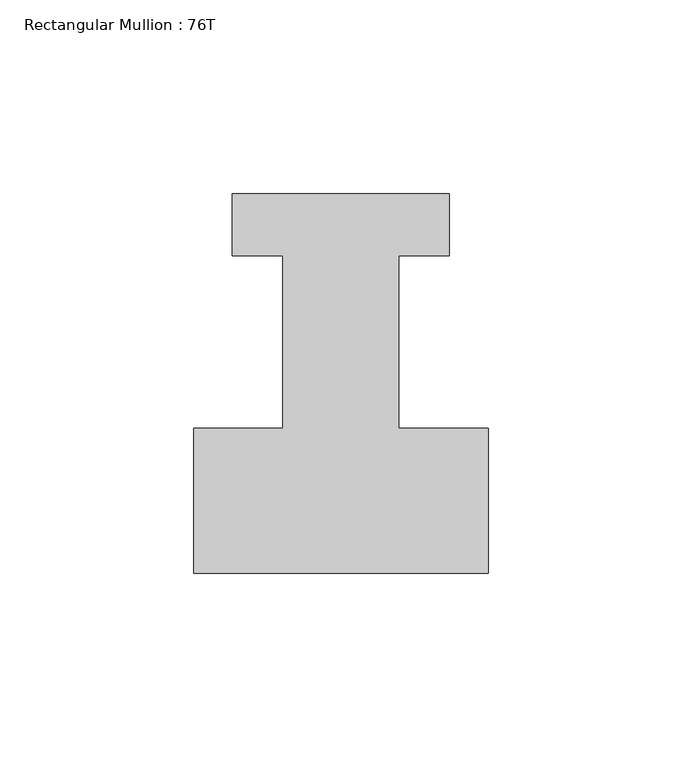
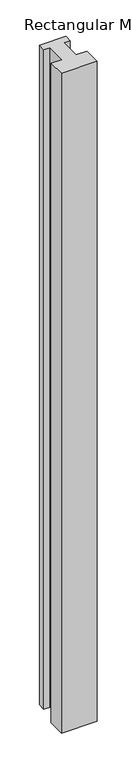
"""IFC4 building model written with IfcOpenShell, lengths in millimetres: member geometry, Rectangular Mullion : 76T."""

import ifcopenshell
import ifcopenshell.guid

model = None  # the IFC model being written
_history = None  # IfcOwnerHistory: only IFC2X3 demands one
_inside = {}  # id of a spatial element -> (the spatial element, [elements in it])
_under = {}  # id of a project, library or spatial element -> (it, [spatial elements below it])
_declared = {}  # id of a project -> (the project, [libraries it declares])
_typed = {}  # id of a type object -> (the type object, [elements of that type])
_made_of = {}  # id of a material, layer set ... -> (it, [elements and type objects made of it])


def new_model(schema):
    """Start an empty IFC model of exactly this schema.

    Asked for "IFC4X3", IfcOpenShell would pick the latest addendum, in which some entities
    have other attributes; the version numbers below select the first issue.
    IFC2X3 requires an IfcOwnerHistory on every rooted entity: one is made here for all.
    """
    global model, _history
    if schema == "IFC4X3":
        model = ifcopenshell.file(schema_version=(4, 3, 0, 0))
    else:
        model = ifcopenshell.file(schema=schema)
    _inside.clear()
    _under.clear()
    _declared.clear()
    _typed.clear()
    _made_of.clear()
    _history = None
    if model.schema == "IFC2X3":
        org = make("IfcOrganization", Name="unknown")
        user = make(
            "IfcPersonAndOrganization",
            ThePerson=make("IfcPerson", FamilyName="unknown"),
            TheOrganization=org,
        )
        app = make(
            "IfcApplication",
            ApplicationDeveloper=org,
            Version="unknown",
            ApplicationFullName="unknown",
            ApplicationIdentifier="unknown",
        )
        _history = make(
            "IfcOwnerHistory",
            OwningUser=user,
            OwningApplication=app,
            ChangeAction="ADDED",
            CreationDate=0,
        )
    return model


def make(cls, **values):
    """One entity of the class cls with the attributes given. An attribute that is None is left unset."""
    return model.create_entity(
        cls, **{name: value for name, value in values.items() if value is not None}
    )


def rooted(cls, **values):
    """An entity with a GlobalId (a new one), such as an element, a storey or a relation."""
    return make(cls, GlobalId=ifcopenshell.guid.new(), OwnerHistory=_history, **values)


def si_unit(unit_type, name, prefix=None):
    """IfcSIUnit, for example si_unit("LENGTHUNIT", "METRE", prefix="MILLI")."""
    return make("IfcSIUnit", UnitType=unit_type, Prefix=prefix, Name=name)


def assignment(units):
    """IfcUnitAssignment: the units of a project."""
    return None if units is None else make("IfcUnitAssignment", Units=units)


def point(xyz):
    """IfcCartesianPoint."""
    return None if xyz is None else make("IfcCartesianPoint", Coordinates=xyz)


def direction(xyz):
    """IfcDirection."""
    return None if xyz is None else make("IfcDirection", DirectionRatios=xyz)


def frame(location, z_axis=None, x_axis=None):
    """IfcAxis2Placement3D, a coordinate frame: its origin and axes. An axis left out is left unset."""
    return make(
        "IfcAxis2Placement3D",
        Location=point(location),
        Axis=direction(z_axis),
        RefDirection=direction(x_axis),
    )


def origin():
    """The frame at (0, 0, 0) with its axes left unset."""
    return frame((0.0, 0.0, 0.0))


def place(relative_to, where):
    """IfcLocalPlacement: puts the frame where relative to a parent placement (None: the world)."""
    return make(
        "IfcLocalPlacement", PlacementRelTo=relative_to, RelativePlacement=where
    )


def context(
    kind, dimensions, precision=None, world=None, true_north=None, identifier=None
):
    """IfcGeometricRepresentationContext, for example the 3D "Model" context."""
    return make(
        "IfcGeometricRepresentationContext",
        ContextIdentifier=identifier,
        ContextType=kind,
        CoordinateSpaceDimension=dimensions,
        Precision=precision,
        WorldCoordinateSystem=world,
        TrueNorth=true_north,
    )


def project(units=None, contexts=None):
    """IfcProject with its units and contexts."""
    return rooted(
        "IfcProject",
        Name="project",
        RepresentationContexts=contexts,
        UnitsInContext=assignment(units),
    )


def spatial(cls, under=None, at=None, **own):
    """A site, building, storey or space (cls), placed at a placement, below another one or the project."""
    s = rooted(cls, ObjectPlacement=at, **own)
    if under is not None:
        _under.setdefault(under.id(), (under, []))[1].append(s)
    return s


def polyline(points):
    """IfcPolyline through the points."""
    return make("IfcPolyline", Points=[point(p) for p in points])


def outline(outer, holes=None, kind="AREA"):
    """IfcArbitraryClosedProfileDef: a profile drawn as a closed curve; with holes, ...WithVoids."""
    if holes is None:
        return make("IfcArbitraryClosedProfileDef", ProfileType=kind, OuterCurve=outer)
    return make(
        "IfcArbitraryProfileDefWithVoids",
        ProfileType=kind,
        OuterCurve=outer,
        InnerCurves=holes,
    )


def extrude(swept, where, along, depth):
    """IfcExtrudedAreaSolid: the profile swept, set in the frame where, extruded along a direction by depth."""
    return make(
        "IfcExtrudedAreaSolid",
        SweptArea=swept,
        Position=where,
        ExtrudedDirection=direction(along),
        Depth=depth,
    )


def shape(context_of_items, identifier, shape_type, items):
    """IfcShapeRepresentation: the items that make up one representation, for example the "Body"."""
    return make(
        "IfcShapeRepresentation",
        ContextOfItems=context_of_items,
        RepresentationIdentifier=identifier,
        RepresentationType=shape_type,
        Items=items,
    )


def source(mapping_origin, context_of_items, identifier, shape_type, items):
    """IfcRepresentationMap: a shape defined once, which mapped items show again and again."""
    return make(
        "IfcRepresentationMap",
        MappingOrigin=mapping_origin,
        MappedRepresentation=shape(context_of_items, identifier, shape_type, items),
    )


def transform(
    local_origin,
    x_axis=None,
    y_axis=None,
    z_axis=None,
    scale=None,
    scale2=None,
    scale3=None,
    uniform=True,
):
    """IfcCartesianTransformationOperator3D, or its non-uniform kind. x_axis, y_axis, z_axis: its Axis1, 2, 3."""
    if uniform:
        return make(
            "IfcCartesianTransformationOperator3D",
            Axis1=direction(x_axis),
            Axis2=direction(y_axis),
            LocalOrigin=point(local_origin),
            Scale=scale,
            Axis3=direction(z_axis),
        )
    return make(
        "IfcCartesianTransformationOperator3DnonUniform",
        Axis1=direction(x_axis),
        Axis2=direction(y_axis),
        LocalOrigin=point(local_origin),
        Scale=scale,
        Axis3=direction(z_axis),
        Scale2=scale2,
        Scale3=scale3,
    )


def mapped(mapping_source, mapping_target):
    """IfcMappedItem: shows the shape of a source again, moved by a transform."""
    return make(
        "IfcMappedItem", MappingSource=mapping_source, MappingTarget=mapping_target
    )


def made_of(thing, what):
    """Note that an element or type object is made of a material, layer set ...; save() writes the relation."""
    if what is not None:
        _made_of.setdefault(what.id(), (what, []))[1].append(thing)
    return thing


def element(
    cls,
    number,
    at=None,
    inside=None,
    cuts=None,
    type_object=None,
    material=None,
    context=None,
    identifier="Body",
    shape_type=None,
    held_by="IfcProductDefinitionShape",
    body=None,
    shapes=None,
    **own,
):
    """One element of the class cls, such as IfcWall. Its Tag is "e" and its number.

    at: its placement. inside: the storey or other place that contains it. cuts: it is an
    opening in that element (IfcRelVoidsElement). A single representation is given by context,
    identifier, shape_type and body (its items); several are given by shapes. held_by: the class
    of the entity that holds the representations. save() writes the other relations.
    """
    e = rooted(cls, Tag="e%d" % number, ObjectPlacement=at, **own)
    if body is not None:
        shapes = [shape(context, identifier, shape_type, body)]
    if shapes is not None:
        e.Representation = make(held_by, Representations=shapes)
    if inside is not None:
        _inside.setdefault(inside.id(), (inside, []))[1].append(e)
    if cuts is not None:
        rooted(
            "IfcRelVoidsElement", RelatingBuildingElement=cuts, RelatedOpeningElement=e
        )
    if type_object is not None:
        _typed.setdefault(type_object.id(), (type_object, []))[1].append(e)
    return made_of(e, material)


def aggregate(whole, parts):
    """IfcRelAggregates: a whole, such as a stair, and the parts it consists of."""
    return rooted("IfcRelAggregates", RelatingObject=whole, RelatedObjects=parts)


def save(model, path):
    """Write the relations noted so far, then the file.

    IfcRelAggregates (storeys below a building ...), IfcRelContainedInSpatialStructure (elements
    in a storey), IfcRelDefinesByType, IfcRelAssociatesMaterial and IfcRelDeclares: one each for
    every whole, place, type object, material and project.
    """
    for whole, parts in _under.values():
        aggregate(whole, parts)
    for where, things in _inside.values():
        rooted(
            "IfcRelContainedInSpatialStructure",
            RelatedElements=things,
            RelatingStructure=where,
        )
    for kind, things in _typed.values():
        rooted("IfcRelDefinesByType", RelatedObjects=things, RelatingType=kind)
    for what, things in _made_of.values():
        rooted("IfcRelAssociatesMaterial", RelatedObjects=things, RelatingMaterial=what)
    for by, libraries in _declared.values():
        rooted("IfcRelDeclares", RelatingContext=by, RelatedDefinitions=libraries)
    model.write(path)


def rectangular_mullion_76t_60428924(model_context):
    return source(origin(), model_context, "Body", "SweptSolid", [
        extrude(outline(polyline([(38.0, -38.0), (-38.0, -38.0), (-38.0, -0.5), (-15.0, -0.5), (-15.0, 44.0), (-28.0, 44.0), (-28.0, 60.0), (28.0, 60.0), (28.0, 44.0), (15.0, 44.0), (15.0, -0.5), (38.0, -0.5), (38.0, -38.0)])), frame((0.0, 0.0, -1477.534293), z_axis=(0.0, 0.0, 1.0), x_axis=(1.0, 0.0, 0.0)), (0.0, 0.0, 1.0), 1477.534293),
    ])


if __name__ == "__main__":
    model = new_model("IFC4")
    model_context = context("Model", 3, world=origin())
    ifc_project = project(units=[si_unit("LENGTHUNIT", "METRE", prefix="MILLI")], contexts=[model_context])
    site = spatial("IfcSite", under=ifc_project)
    building = spatial("IfcBuilding", under=site)
    placement = place(None, origin())
    rectangular_mullion_76t_shape = rectangular_mullion_76t_60428924(model_context)
    element("IfcMember", 1, ObjectType="Rectangular Mullion : 76T", at=placement, inside=building, context=model_context, shape_type="MappedRepresentation", body=[
        mapped(rectangular_mullion_76t_shape, transform((0.0, 0.0, 0.0), x_axis=(1.0, 0.0, 0.0), y_axis=(0.0, 1.0, 0.0), z_axis=(0.0, 0.0, 1.0))),
    ])
    save(model, "model.ifc")
